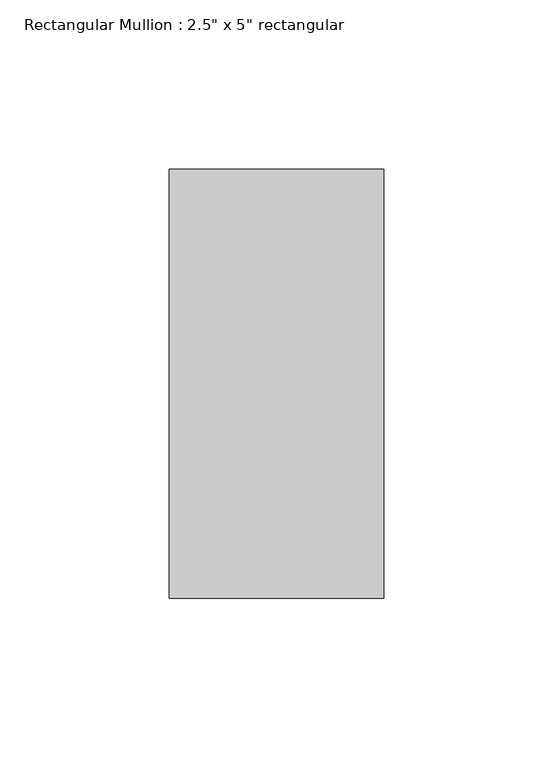
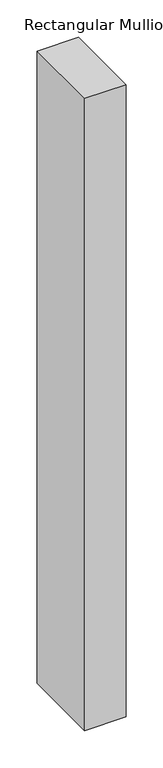
"""IFC4 building model written with IfcOpenShell, lengths in millimetres: member geometry."""

from ifc_helpers import new_model, si_unit, frame, origin, place, context, project, spatial, polyline, outline, extrude, source, transform, mapped, element, save


def member_d4ec330b(model_context):
    return source(origin(), model_context, "Body", "SweptSolid", [
        extrude(outline(polyline([(0.0, 63.5), (0.0, -63.5), (-63.5, -63.5), (-63.5, 63.5), (0.0, 63.5)])), frame((0.0, 0.0, -1031.75), z_axis=(0.0, 0.0, 1.0), x_axis=(1.0, 0.0, 0.0)), (0.0, 0.0, 1.0), 1031.75),
    ])


if __name__ == "__main__":
    model = new_model("IFC4")
    model_context = context("Model", 3, world=origin())
    ifc_project = project(units=[si_unit("LENGTHUNIT", "METRE", prefix="MILLI")], contexts=[model_context])
    site = spatial("IfcSite", under=ifc_project)
    building = spatial("IfcBuilding", under=site)
    placement = place(None, origin())
    member_shape = member_d4ec330b(model_context)
    element("IfcMember", 1, ObjectType="Rectangular Mullion : 2.5\" x 5\" rectangular", at=placement, inside=building, context=model_context, shape_type="MappedRepresentation", body=[
        mapped(member_shape, transform((0.0, 0.0, 0.0), x_axis=(1.0, 0.0, 0.0), y_axis=(0.0, 1.0, 0.0), z_axis=(0.0, 0.0, 1.0))),
    ])
    save(model, "model.ifc")
